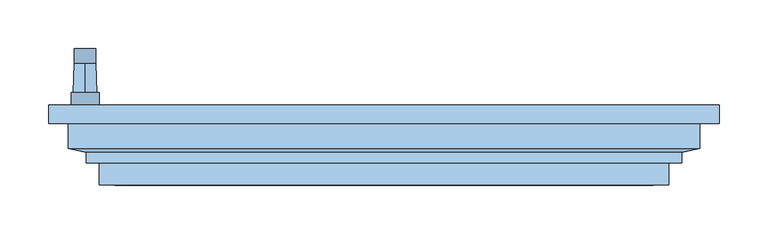
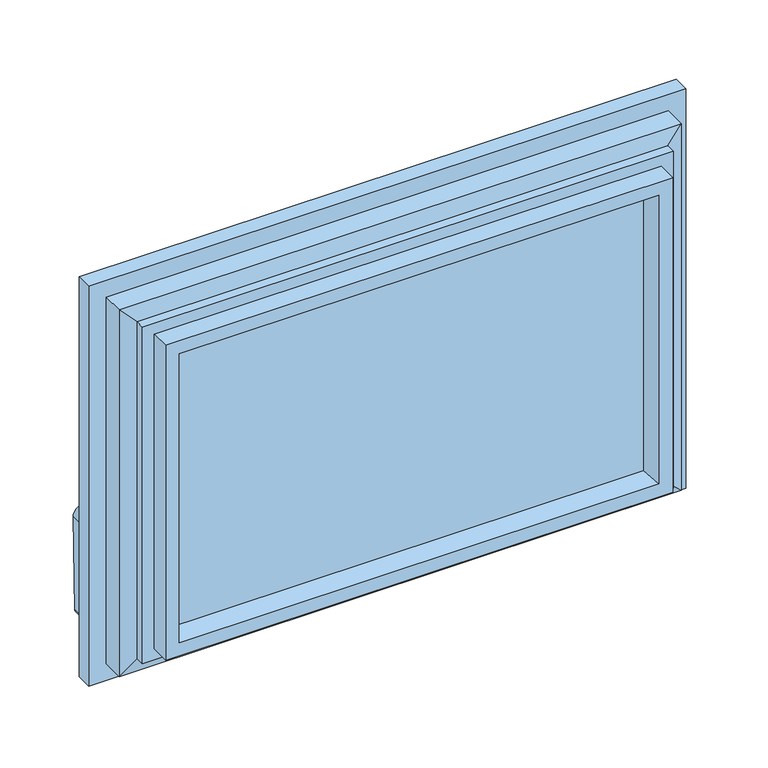
"""IFC4 building model written with IfcOpenShell, lengths in millimetres: window geometry."""

from ifc_helpers import new_model, si_unit, point, frame, frame_2d, origin, place, context, project, spatial, polyline, circle_curve, trimmed, segment, composite_curve, outline, extrude, faceted_brep, source, transform, mapped, element, save
from ifc_brep_helpers import plane_surface, cylinder_surface, revolved_surface, advanced_brep


def window_9382424d(model_context):
    return source(origin(), model_context, "Body", "SolidModel", [
        advanced_brep(
        [(-291.2, -19.2, 220.2), (-291.2, -19.2, 184.8), (-319.8, -19.2, 184.8), (-319.8, -19.2, 220.2), (-305.5, -19.2, 190.5), (-305.5, -19.2, 214.5), (-291.2, -32.0, 220.2), (-319.8, -32.0, 220.2), (-319.8, -32.0, 184.8), (-291.2, -32.0, 184.8), (-305.5, 10.5837804, 213.45), (-305.5, 10.5837804, 191.55)],
        [
            (0, 1),
            (1, 2, circle_curve(frame((-305.5, -19.2, 184.8), z_axis=(0.0, 1.0, 0.0), x_axis=(-1.0, 0.0, 0.0)), 14.3)),
            (2, 3),
            (3, 0, circle_curve(frame((-305.5, -19.2, 220.2), z_axis=(0.0, 1.0, 0.0), x_axis=(-1.0, 0.0, 0.0)), 14.3)),
            (4, 5, circle_curve(frame((-305.5, -19.2, 202.5), z_axis=(0.0, -1.0, 0.0), x_axis=(0.0, 0.0, 1.0)), 12.0)),
            (5, 4, circle_curve(frame((-305.5, -19.2, 202.5), z_axis=(0.0, -1.0, 0.0), x_axis=(0.0, 0.0, -1.0)), 12.0)),
            (6, 7, circle_curve(frame((-305.5, -32.0, 220.2), z_axis=(0.0, -1.0, 0.0), x_axis=(-1.0, 0.0, 0.0)), 14.3)),
            (7, 8),
            (8, 9, circle_curve(frame((-305.5, -32.0, 184.8), z_axis=(0.0, -1.0, 0.0), x_axis=(-1.0, 0.0, 0.0)), 14.3)),
            (9, 6),
            (0, 6),
            (9, 1),
            (8, 2),
            (7, 3),
            (10, 11, circle_curve(frame((-305.5, 10.5837804, 202.5), z_axis=(0.0, 1.0, 0.0), x_axis=(0.0, 0.0, 1.0)), 10.95)),
            (11, 10, circle_curve(frame((-305.5, 10.5837804, 202.5), z_axis=(0.0, 1.0, 0.0), x_axis=(0.0, 0.0, -1.0)), 10.95)),
            (10, 5),
            (4, 11),
        ],
        [
            plane_surface(frame((-291.2, -19.2, 220.2), z_axis=(0.0, 1.0, 0.0), x_axis=(0.0, 0.0, -1.0))),
            plane_surface(frame((-291.2, -32.0, 220.2), z_axis=(0.0, -1.0, 0.0), x_axis=(0.0, 0.0, 1.0))),
            plane_surface(frame((-291.2, -19.2, 220.2), z_axis=(1.0, 0.0, 0.0), x_axis=(0.0, -1.0, 0.0))),
            cylinder_surface(frame((-305.5, -32.0, 184.8), z_axis=(0.0, 1.0, 0.0), x_axis=(-1.0, 0.0, 0.0)), 14.3),
            plane_surface(frame((-319.8, -19.2, 184.8), z_axis=(-1.0, 0.0, 0.0), x_axis=(0.0, -1.0, 0.0))),
            cylinder_surface(frame((-305.5, -32.0, 220.2), z_axis=(0.0, 1.0, 0.0), x_axis=(-1.0, 0.0, 0.0)), 14.3),
            plane_surface(frame((-305.5, 10.5837804, 202.5), z_axis=(0.0, 1.0, 0.0), x_axis=(1.0, 0.0, 0.0))),
            revolved_surface(polyline([(-305.5, 10.583780400000023, 213.4500000002644), (-305.5, -19.19999999999999, 214.5)]), (-305.5, 321.1860618, 202.5), (0.0, -1.0, 0.0)),
            revolved_surface(polyline([(-305.5, 10.583780400000023, 191.5499999997356), (-305.5, -19.19999999999999, 190.5)]), (-305.5, 321.1860618, 202.5), (0.0, -1.0, 0.0)),
        ],
        [
            (0, [[1, 2, 3, 4], [5, 6]]),
            (1, [[7, 8, 9, 10]]),
            (2, [[-1, 11, -10, 12]]),
            (3, [[-2, -12, -9, 13]]),
            (4, [[-3, -13, -8, 14]]),
            (5, [[-4, -14, -7, -11]]),
            (6, [[15, 16]]),
            (7, [[-15, 17, -5, 18]]),
            (8, [[-16, -18, -6, -17]]),
        ],
    ),
        extrude(outline(composite_curve([segment(trimmed(circle_curve(frame_2d((89.5593058, -309.4580365)), 5.1186159), [point((89.5592661, -314.5766524))], [point((84.4406899, -309.4580365))], False, "CARTESIAN"), True, "CONTINUOUS"), segment(polyline([(84.4406899, -309.4580365), (84.4406899, -301.5419635)]), True, "CONTINUOUS"), segment(trimmed(circle_curve(frame_2d((89.5593058, -301.5419635)), 5.1186159), [point((84.4406899, -301.5419635))], [point((89.3895475, -296.4261634))], False, "CARTESIAN"), True, "CONTINUOUS"), segment(polyline([(89.3895475, -296.4261634), (202.5, -294.55)]), True, "CONTINUOUS"), segment(trimmed(circle_curve(frame_2d((202.5, -305.5)), 10.95), [point((202.5, -294.55))], [point((202.5, -316.45))], False, "CARTESIAN"), True, "CONTINUOUS"), segment(polyline([(202.5, -316.45), (89.5592661, -314.5766524)]), True, "CONTINUOUS")], self_intersect=False)), frame((0.0, 10.5837804, 0.0), z_axis=(0.0, 1.0, 0.0), x_axis=(0.0, 0.0, 1.0)), (0.0, 0.0, 1.0), 15.0),
        extrude(outline(polyline([(286.5, -53.0), (286.5, -57.0), (-286.5, -57.0), (-286.5, -53.0), (286.5, -53.0)])), frame((0.0, 0.0, 108.5), z_axis=(0.0, 0.0, 1.0), x_axis=(1.0, 0.0, 0.0)), (0.0, 0.0, 1.0), 373.0),
        extrude(outline(polyline([(286.5, -89.0), (286.5, -93.0), (-286.5, -93.0), (-286.5, -89.0), (286.5, -89.0)])), frame((0.0, 0.0, 108.5), z_axis=(0.0, 0.0, 1.0), x_axis=(1.0, 0.0, 0.0)), (0.0, 0.0, 1.0), 373.0),
        extrude(outline(polyline([(286.5, -71.0), (286.5, -75.0), (-286.5, -75.0), (-286.5, -71.0), (286.5, -71.0)])), frame((0.0, 0.0, 108.5), z_axis=(0.0, 0.0, 1.0), x_axis=(1.0, 0.0, 0.0)), (0.0, 0.0, 1.0), 373.0),
        faceted_brep([(322.5, -51.0, 517.5), (322.5, -76.45, 517.5), (322.5, -76.45, 72.5), (322.5, -51.0, 72.5), (342.5, -32.0, 537.5), (342.5, -51.0, 537.5), (342.5, -51.0, 52.5), (342.5, -32.0, 52.5), (270.3364776, -53.0, 465.3364776), (259.6599742, -32.0, 454.6599742), (259.6599742, -32.0, 135.3400258), (270.3364776, -53.0, 124.6635224), (286.5, -93.0, 481.5), (286.5, -53.0, 481.5), (286.5, -53.0, 108.5), (286.5, -93.0, 108.5), (275.1595631, -114.0, 470.1595631), (269.53263, -93.0, 464.53263), (269.53263, -93.0, 125.46737), (275.1595631, -114.0, 119.8404369), (290.9018435, -114.0, 485.9018435), (290.9018435, -114.0, 104.0981565), (290.9018435, -91.5, 104.0981565), (290.9018435, -91.5, 485.9018435), (304.3518435, -80.6, 499.3518435), (304.3518435, -91.5, 499.3518435), (304.3518435, -91.5, 90.6481565), (304.3518435, -80.6, 90.6481565), (-322.5, -76.45, 72.5), (-322.5, -51.0, 72.5), (-342.5, -51.0, 52.5), (-342.5, -32.0, 52.5), (-259.6599742, -32.0, 135.3400258), (-270.3364776, -53.0, 124.6635224), (-286.5, -53.0, 108.5), (-286.5, -93.0, 108.5), (-269.53263, -93.0, 125.46737), (-275.1595631, -114.0, 119.8404369), (-290.9018435, -114.0, 104.0981565), (-290.9018435, -91.5, 104.0981565), (-304.3518435, -91.5, 90.6481565), (-304.3518435, -80.6, 90.6481565), (-322.5, -76.45, 517.5), (-322.5, -51.0, 517.5), (-342.5, -51.0, 537.5), (-342.5, -32.0, 537.5), (-259.6599742, -32.0, 454.6599742), (-270.3364776, -53.0, 465.3364776), (-286.5, -53.0, 481.5), (-286.5, -93.0, 481.5), (-269.53263, -93.0, 464.53263), (-275.1595631, -114.0, 470.1595631), (-290.9018435, -114.0, 485.9018435), (-290.9018435, -91.5, 485.9018435), (-304.3518435, -91.5, 499.3518435), (-304.3518435, -80.6, 499.3518435)], [[[0, 1, 2, 3]], [[4, 5, 6, 7]], [[8, 9, 10, 11]], [[12, 13, 14, 15]], [[16, 17, 18, 19]], [[20, 21, 22, 23]], [[24, 25, 26, 27]], [[1, 24, 27, 2]], [[3, 2, 28, 29]], [[7, 6, 30, 31]], [[11, 10, 32, 33]], [[15, 14, 34, 35]], [[19, 18, 36, 37]], [[22, 21, 38, 39]], [[27, 26, 40, 41]], [[2, 27, 41, 28]], [[29, 28, 42, 43]], [[31, 30, 44, 45]], [[33, 32, 46, 47]], [[35, 34, 48, 49]], [[37, 36, 50, 51]], [[39, 38, 52, 53]], [[41, 40, 54, 55]], [[28, 41, 55, 42]], [[43, 42, 1, 0]], [[5, 44, 30, 6], [3, 29, 43, 0]], [[45, 44, 5, 4]], [[7, 31, 45, 4], [9, 46, 32, 10]], [[47, 46, 9, 8]], [[13, 48, 34, 14], [11, 33, 47, 8]], [[49, 48, 13, 12]], [[15, 35, 49, 12], [17, 50, 36, 18]], [[51, 50, 17, 16]], [[20, 52, 38, 21], [19, 37, 51, 16]], [[53, 52, 20, 23]], [[25, 54, 40, 26], [22, 39, 53, 23]], [[55, 54, 25, 24]], [[42, 55, 24, 1]]]),
    ])


if __name__ == "__main__":
    model = new_model("IFC4")
    model_context = context("Model", 3, world=origin())
    ifc_project = project(units=[si_unit("LENGTHUNIT", "METRE", prefix="MILLI")], contexts=[model_context])
    site = spatial("IfcSite", under=ifc_project)
    building = spatial("IfcBuilding", under=site)
    placement = place(None, origin())
    window_shape = window_9382424d(model_context)
    element("IfcWindow", 1, at=placement, inside=building, context=model_context, shape_type="MappedRepresentation", body=[
        mapped(window_shape, transform((0.0, 0.0, 0.0), x_axis=(1.0, 0.0, 0.0), y_axis=(0.0, 1.0, 0.0), z_axis=(0.0, 0.0, 1.0))),
    ])
    save(model, "model.ifc")
